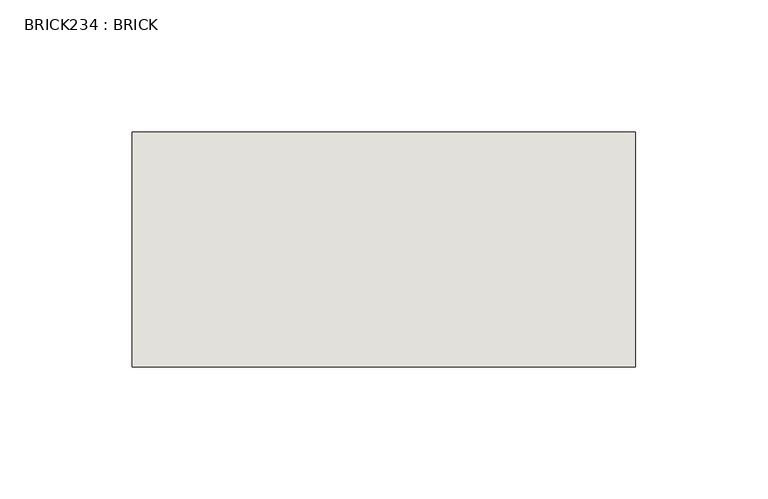
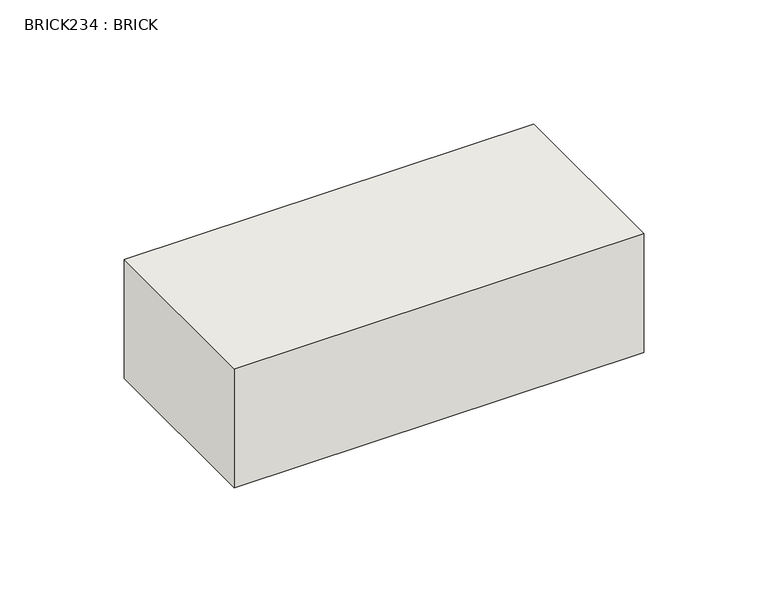
"""IFC4 building model written with IfcOpenShell, lengths in millimetres: wall geometry, BRICK234 : BRICK."""

from ifc_helpers import new_model, si_unit, frame, origin, place, context, project, spatial, polyline, outline, extrude, source, transform, mapped, element, save


def brick234_brick_1d4be78e(model_context):
    return source(origin(), model_context, "Body", "SweptSolid", [
        extrude(outline(polyline([(-1784.7316239, 3062.3923312), (-1594.2316239, 3062.3923312), (-1594.2316239, 2973.4923312), (-1784.7316239, 2973.4923312), (-1784.7316239, 3062.3923312)])), frame((0.0, 0.0, 74.3148438), z_axis=(0.0, 0.0, 1.0), x_axis=(1.0, 0.0, 0.0)), (0.0, 0.0, 1.0), 58.4398438),
    ])


if __name__ == "__main__":
    model = new_model("IFC4")
    model_context = context("Model", 3, world=origin())
    ifc_project = project(units=[si_unit("LENGTHUNIT", "METRE", prefix="MILLI")], contexts=[model_context])
    site = spatial("IfcSite", under=ifc_project)
    building = spatial("IfcBuilding", under=site)
    placement = place(None, origin())
    brick234_brick_shape = brick234_brick_1d4be78e(model_context)
    element("IfcWall", 1, ObjectType="BRICK234 : BRICK", at=placement, inside=building, context=model_context, shape_type="MappedRepresentation", body=[
        mapped(brick234_brick_shape, transform((0.0, 0.0, 0.0), x_axis=(1.0, 0.0, 0.0), y_axis=(0.0, 1.0, 0.0), z_axis=(0.0, 0.0, 1.0))),
    ])
    save(model, "model.ifc")
